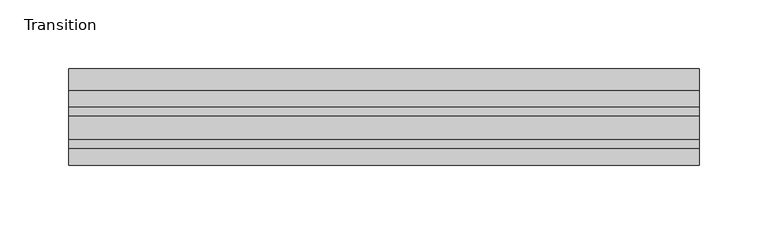
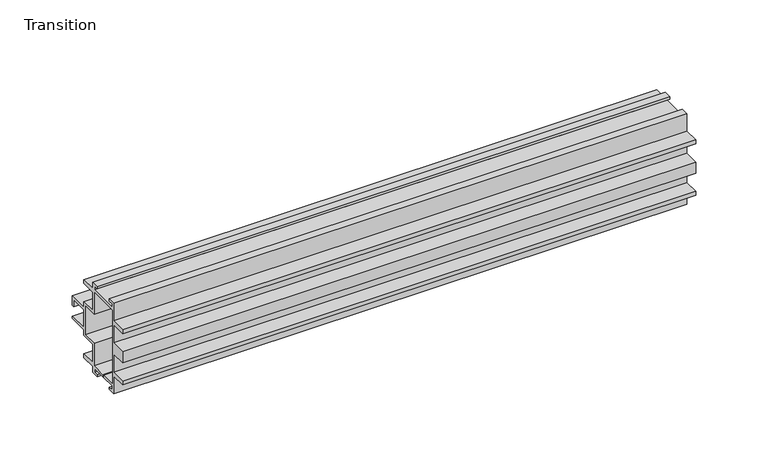
"""IFC4 building model written with IfcOpenShell, lengths in millimetres: furniture geometry, Transition."""

from ifc_helpers import new_model, si_unit, frame, origin, place, context, project, spatial, polyline, outline, extrude, source, transform, mapped, element, save


def transition_762e76f5(model_context):
    return source(origin(), model_context, "Body", "SweptSolid", [
        extrude(outline(polyline([(30.3018055, -38.100001), (24.1018053, -38.100001), (24.1018053, -36.300001), (27.6018054, -36.300001), (27.6018054, -33.2000009), (16.0018051, -33.2000009), (16.0018051, -31.2000008), (28.3018055, -31.2000008), (28.3018055, -12.3150004), (40.489305, -12.3150004), (40.489305, 12.3150004), (28.3018055, 12.3150004), (28.3018055, 31.2000008), (2.7018046, 31.2000008), (2.7018046, -31.2000008), (15.001805, -31.2000008), (15.001805, -33.2000009), (3.4018047, -33.2000009), (3.4018047, -36.300001), (6.9018048, -36.300001), (6.9018048, -38.100001), (0.7018046, -38.100001), (0.7018046, -23.3307277), (-11.485695, -23.3307277), (-11.485695, -20.0307276), (0.7018046, -20.0307276), (0.7018046, -4.7000002), (-11.485695, -4.7000002), (-11.485695, 4.7000002), (0.7018046, 4.7000002), (0.7018046, 20.0307276), (-11.485695, 20.0307276), (-11.485695, 23.3307277), (0.7018046, 23.3307277), (0.7018046, 38.100001), (6.9018048, 38.100001), (6.9018048, 36.300001), (3.4018047, 36.300001), (3.4018047, 33.2000009), (27.6018054, 33.2000009), (27.6018054, 36.300001), (24.1018053, 36.300001), (24.1018053, 38.100001), (30.3018055, 38.100001), (30.3018055, 32.8961409), (42.489305, 32.8961409), (42.489305, 29.5961408), (30.3018055, 29.5961408), (30.3018055, 14.3150005), (42.489305, 14.3150005), (42.489305, 9.5250003), (58.2518064, 9.5250003), (58.2518064, 1.525), (56.1518063, 1.525), (56.1518063, 7.5250002), (42.489305, 7.5250002), (42.489305, -7.5250002), (58.2518064, -7.5250002), (58.2518064, -9.5250003), (42.489305, -9.5250003), (42.489305, -14.3150005), (30.3018055, -14.3150005), (30.3018055, -29.5961408), (42.489305, -29.5961408), (42.489305, -32.8961409), (30.3018055, -32.8961409), (30.3018055, -38.100001)])), frame((-198.6228469, 0.0, 0.0), z_axis=(1.0, 0.0, 0.0), x_axis=(0.0, 1.0, 0.0)), (0.0, 0.0, 1.0), 457.2),
    ])


if __name__ == "__main__":
    model = new_model("IFC4")
    model_context = context("Model", 3, world=origin())
    ifc_project = project(units=[si_unit("LENGTHUNIT", "METRE", prefix="MILLI")], contexts=[model_context])
    site = spatial("IfcSite", under=ifc_project)
    building = spatial("IfcBuilding", under=site)
    placement = place(None, origin())
    transition_shape = transition_762e76f5(model_context)
    element("IfcFurniture", 1, ObjectType="Transition", at=placement, inside=building, context=model_context, shape_type="MappedRepresentation", body=[
        mapped(transition_shape, transform((0.0, 0.0, 0.0), x_axis=(1.0, 0.0, 0.0), y_axis=(0.0, 1.0, 0.0), z_axis=(0.0, 0.0, 1.0))),
    ])
    save(model, "model.ifc")
